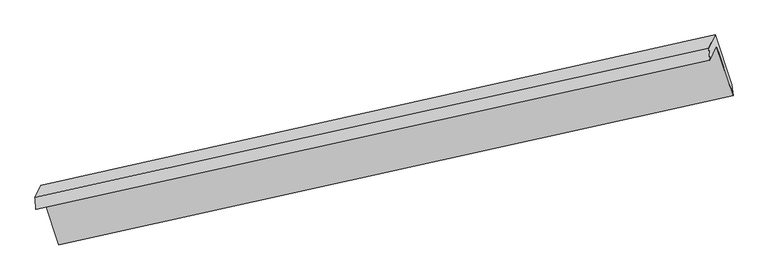
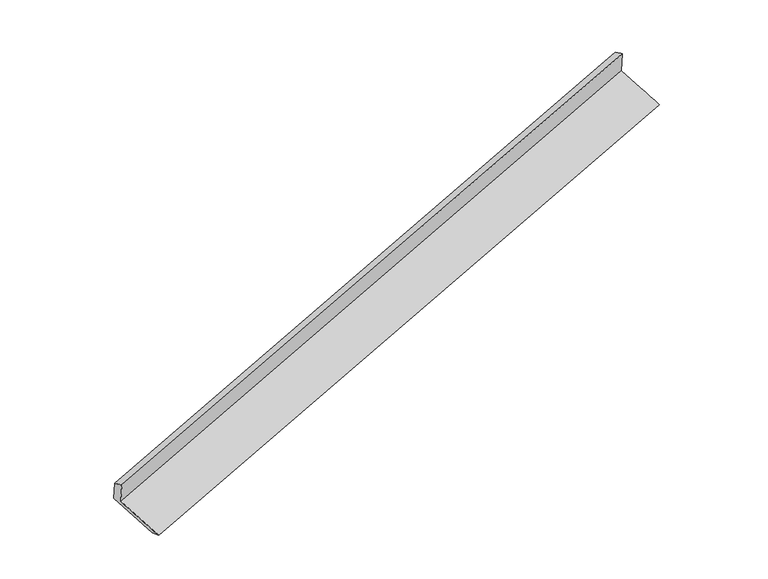
"""IFC4 building model written with IfcOpenShell, lengths in millimetres: proxy geometry."""

from ifc_helpers import new_model, si_unit, frame, origin, place, context, project, spatial, source, transform, mapped, element, save
from ifc_brep_helpers import plane_surface, spline_surface, advanced_brep


def generic_models_f9095b03(model_context):
    return source(origin(), model_context, "Body", "AdvancedBrep", [
        advanced_brep(
        [(-7595.6382669, -2508.2285471, 893.9419699), (-7506.7914263, -2322.5060554, 472.9478589), (1713.2905534, -270.9090351, 3314.6710502), (1622.5478652, -460.594544, 3744.6484933), (-7610.1259595, -2340.3825071, 822.2177475), (1607.4334765, -292.8864583, 3672.7311537), (-7530.141726, -2173.1861155, 443.2184374), (1693.1052529, -113.8010155, 3266.781847), (-7304.7997602, -2853.043629, 190.8540765), (1923.0678713, -795.7642617, 3014.4636827), (-7284.4168685, -2993.4108883, 223.9067496), (1940.2378259, -943.9301533, 3065.6613652)],
        [
            (0, 1),
            (1, 2),
            (2, 3),
            (3, 0),
            (4, 0),
            (3, 5),
            (5, 4),
            (6, 4),
            (5, 7),
            (7, 6),
            (8, 6),
            (7, 9),
            (9, 8),
            (10, 8),
            (9, 11),
            (11, 10),
            (1, 10),
            (11, 2),
        ],
        [
            plane_surface(frame((-7551.2148466, -2415.3673013, 683.4449144), z_axis=(0.3010200486389841, -0.8943272762395602, -0.3310070290663225), x_axis=(0.18958476233453672, 0.39630170564783146, -0.8983332210216746))),
            spline_surface(1, 1, [[(-7610.1259595, -2340.3825071, 822.2177475), (1607.4334765, -292.8864583, 3672.7311537)], [(-7595.6382669, -2508.2285471, 893.9419699), (1622.5478652, -460.594544, 3744.6484933)]], [2, 2], [2, 2], [0.0, 1.0], [0.0, 1.0]),
            plane_surface(frame((-7570.1338428, -2256.7843113, 632.7180924), z_axis=(-0.30102017642305495, 0.8943272478461833, 0.3310069895728856), x_axis=(-0.18958476233457996, -0.39630170564783146, 0.8983332210216655))),
            spline_surface(1, 1, [[(-7304.7997602, -2853.043629, 190.8540765), (1923.0678713, -795.7642617, 3014.4636827)], [(-7530.141726, -2173.1861155, 443.2184374), (1693.1052529, -113.8010155, 3266.781847)]], [2, 2], [2, 2], [0.0, 1.0], [0.0, 1.0]),
            spline_surface(1, 1, [[(-7284.4168685, -2993.4108883, 223.9067496), (1940.2378259, -943.9301533, 3065.6613652)], [(-7304.7997602, -2853.043629, 190.8540765), (1923.0678713, -795.7642617, 3014.4636827)]], [2, 2], [2, 2], [0.0, 1.0], [0.0, 1.0]),
            spline_surface(1, 1, [[(-7506.7914263, -2322.5060554, 472.9478589), (1713.2905534, -270.9090351, 3314.6710502)], [(-7284.4168685, -2993.4108883, 223.9067496), (1940.2378259, -943.9301533, 3065.6613652)]], [2, 2], [2, 2], [0.0, 1.0], [0.0, 1.0]),
            plane_surface(frame((1749.9471409, -479.647578, 3346.492932), z_axis=(0.9344166636661558, 0.208154823694579, 0.2890277980328), x_axis=(-0.30153460258078335, 0.8942127976456719, 0.3308479348177192))),
            plane_surface(frame((-7471.9856679, -2531.7929571, 507.8478066), z_axis=(-0.935950059853799, -0.20356833543438074, -0.28732806731704064), x_axis=(-0.1895847623344739, -0.39630170564782946, 0.8983332210216887))),
        ],
        [
            (0, [[1, 2, 3, 4]]),
            (1, [[5, -4, 6, 7]]),
            (2, [[8, -7, 9, 10]]),
            (3, [[11, -10, 12, 13]]),
            (4, [[14, -13, 15, 16]]),
            (5, [[17, -16, 18, -2]]),
            (6, [[-12, -9, -6, -3, -18, -15]]),
            (7, [[-1, -5, -8, -11, -14, -17]]),
        ],
    ),
    ])


if __name__ == "__main__":
    model = new_model("IFC4")
    model_context = context("Model", 3, world=origin())
    ifc_project = project(units=[si_unit("LENGTHUNIT", "METRE", prefix="MILLI")], contexts=[model_context])
    site = spatial("IfcSite", under=ifc_project)
    building = spatial("IfcBuilding", under=site)
    placement = place(None, origin())
    generic_models_shape = generic_models_f9095b03(model_context)
    element("IfcBuildingElementProxy", 1, Name="Generic Models", at=placement, inside=building, context=model_context, shape_type="MappedRepresentation", body=[
        mapped(generic_models_shape, transform((0.0, 0.0, 0.0), x_axis=(1.0, 0.0, 0.0), y_axis=(0.0, 1.0, 0.0), z_axis=(0.0, 0.0, 1.0))),
    ])
    save(model, "model.ifc")
